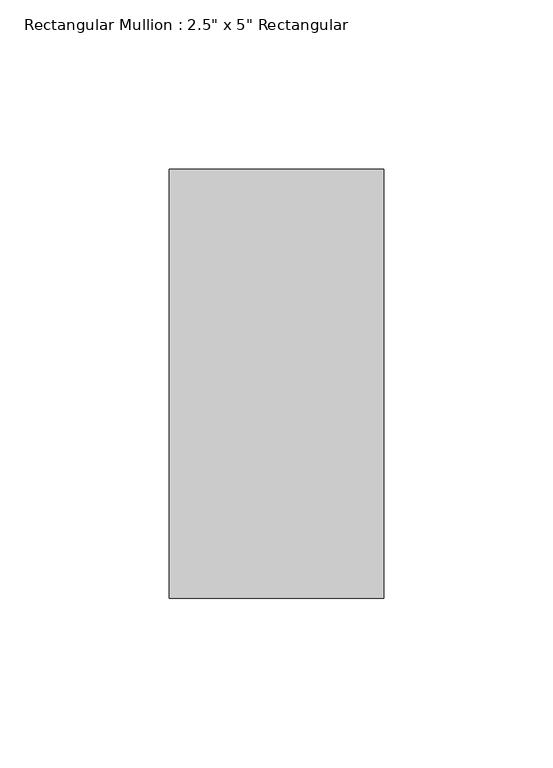
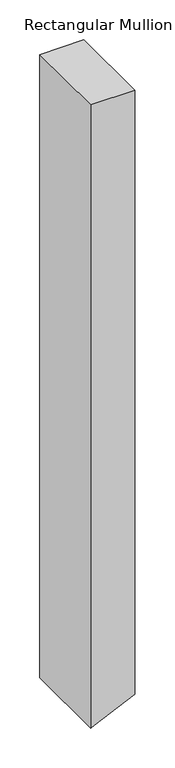
"""IFC4 building model written with IfcOpenShell, lengths in millimetres: member geometry."""

from ifc_helpers import new_model, si_unit, frame, origin, place, context, project, spatial, circle_curve, source, transform, mapped, element, save
from ifc_brep_helpers import plane_surface, cylinder_surface, advanced_brep


def member_47ceba12(model_context):
    return source(origin(), model_context, "Body", "AdvancedBrep", [
        advanced_brep(
        [(31.75, 63.5, 0.0), (-31.75, 63.5, 0.0), (-31.75, -63.5, 0.0), (31.75, -63.5, 0.0), (31.75, 63.5, -921.710807), (-26.4582521, 63.5, -948.8940097), (-31.75, 63.5, -951.3153475), (-31.75, -63.5, -951.3153475), (-26.4582521, -63.5, -948.8940097), (31.75, -63.5, -921.710807)],
        [
            (0, 1),
            (1, 2),
            (2, 3),
            (3, 0),
            (0, 4),
            (4, 5, circle_curve(frame((-1905.0, 63.5, 3149.6), z_axis=(0.0, 1.0, 0.0), x_axis=(0.7083333333333349, 0.0, -0.7058780977540574)), 4508.5)),
            (5, 6, circle_curve(frame((-1905.0, 63.5, 3149.6), z_axis=(0.0, 1.0, 0.0), x_axis=(0.4166666666666698, 0.0, -0.9090593428863082)), 4508.5)),
            (6, 1),
            (6, 7),
            (7, 2),
            (7, 8, circle_curve(frame((-1905.0, -63.5, 3149.6), z_axis=(0.0, -1.0, 0.0), x_axis=(0.4166666666666698, 0.0, -0.9090593428863082)), 4508.5)),
            (8, 9, circle_curve(frame((-1905.0, -63.5, 3149.6), z_axis=(0.0, -1.0, 0.0), x_axis=(0.7083333333333349, 0.0, -0.7058780977540574)), 4508.5)),
            (9, 3),
            (9, 4),
            (8, 5),
        ],
        [
            plane_surface(frame((0.0, -70.9951583, 0.0), z_axis=(0.0, 0.0, 1.0), x_axis=(-1.0, 0.0, 0.0))),
            plane_surface(frame((31.75, 63.5, 0.0), z_axis=(0.0, 1.0, 0.0), x_axis=(0.0, 0.0, -1.0))),
            plane_surface(frame((-31.75, 63.5, 0.0), z_axis=(-1.0, 0.0, 0.0), x_axis=(0.0, 0.0, -1.0))),
            plane_surface(frame((-31.75, -63.5, 0.0), z_axis=(0.0, -1.0, 0.0), x_axis=(0.0, 0.0, -1.0))),
            plane_surface(frame((31.75, -63.5, 0.0), z_axis=(1.0, 0.0, 0.0), x_axis=(0.0, 0.0, -1.0))),
            cylinder_surface(frame((-1905.0, 0.0, 3149.6), z_axis=(0.0, 1.0, 0.0), x_axis=(0.7083333333333349, 0.0, -0.7058780977540574)), 4508.5),
            cylinder_surface(frame((-1905.0, 0.0, 3149.6), z_axis=(0.0, 1.0, 0.0), x_axis=(0.4166666666666698, 0.0, -0.9090593428863082)), 4508.5),
        ],
        [
            (0, [[1, 2, 3, 4]]),
            (1, [[-1, 5, 6, 7, 8]]),
            (2, [[-2, -8, 9, 10]]),
            (3, [[-3, -10, 11, 12, 13]]),
            (4, [[-4, -13, 14, -5]]),
            (5, [[-14, -12, 15, -6]]),
            (6, [[-11, -9, -7, -15]]),
        ],
    ),
    ])


if __name__ == "__main__":
    model = new_model("IFC4")
    model_context = context("Model", 3, world=origin())
    ifc_project = project(units=[si_unit("LENGTHUNIT", "METRE", prefix="MILLI")], contexts=[model_context])
    site = spatial("IfcSite", under=ifc_project)
    building = spatial("IfcBuilding", under=site)
    placement = place(None, origin())
    member_shape = member_47ceba12(model_context)
    element("IfcMember", 1, ObjectType="Rectangular Mullion : 2.5\" x 5\" Rectangular", at=placement, inside=building, context=model_context, shape_type="MappedRepresentation", body=[
        mapped(member_shape, transform((0.0, 0.0, 0.0), x_axis=(1.0, 0.0, 0.0), y_axis=(0.0, 1.0, 0.0), z_axis=(0.0, 0.0, 1.0))),
    ])
    save(model, "model.ifc")
